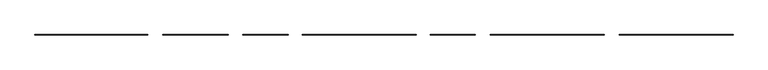
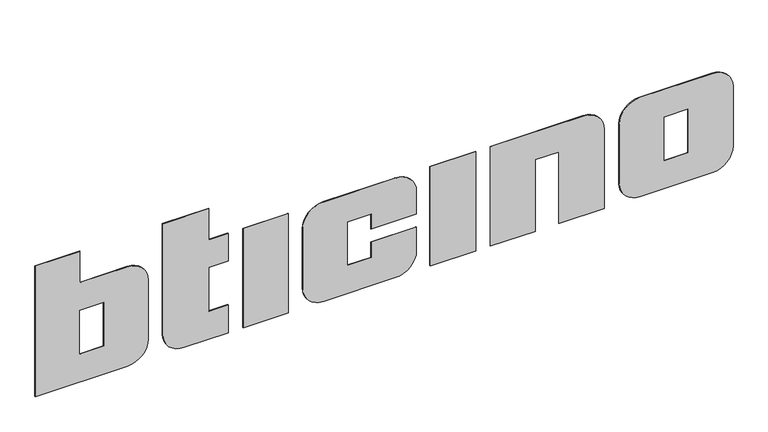
"""IFC4 building model written with IfcOpenShell, lengths in millimetres: proxy geometry."""

from ifc_helpers import new_model, si_unit, point, frame, frame_2d, origin, origin_with_axes, place, context, project, spatial, polyline, circle_curve, trimmed, segment, composite_curve, outline, extrude, source, transform, mapped, element, save


def generic_models_51c8f9fc(model_context):
    return source(origin(), model_context, "Body", "SweptSolid", [
        extrude(outline(polyline([(4189.5321681, 161.9662284), (3758.8896869, 161.9662284), (3758.8896869, 166.9662284), (4189.5321681, 166.9662284), (4189.5321681, 161.9662284)])), origin_with_axes(), (0.0, 0.0, 1.0), 1000.0),
        extrude(outline(composite_curve([segment(polyline([(1000.0, 3427.2762749), (1000.0, 2743.5321049)]), True, "CONTINUOUS"), segment(trimmed(circle_curve(frame_2d((800.0, 2743.5321049)), 200.0), [point((1000.0, 2743.5321049))], [point((800.0, 2543.5321049))], False, "CARTESIAN"), True, "CONTINUOUS"), segment(polyline([(800.0, 2543.5321049), (200.0, 2543.5321049)]), True, "CONTINUOUS"), segment(trimmed(circle_curve(frame_2d((200.0, 2743.5321049)), 200.0), [point((200.0, 2543.5321049))], [point((0.0, 2743.5321049))], False, "CARTESIAN"), True, "CONTINUOUS"), segment(polyline([(0.0, 2743.5321049), (0.0, 3427.2762749)]), True, "CONTINUOUS"), segment(trimmed(circle_curve(frame_2d((200.0, 3427.2762749)), 200.0), [point((0.0, 3427.2762749))], [point((200.0, 3627.2762749))], False, "CARTESIAN"), True, "CONTINUOUS"), segment(polyline([(200.0, 3627.2762749), (438.0168859, 3627.2762749), (438.0168859, 3196.5962333), (281.7366641, 3196.5962333), (281.7366641, 2971.0222631), (720.1857244, 2971.0222631), (720.1857244, 3196.5962333), (567.1600637, 3196.5962333), (567.1600637, 3627.2762749), (800.0, 3627.2762749)]), True, "CONTINUOUS"), segment(trimmed(circle_curve(frame_2d((800.0, 3427.2762749)), 200.0), [point((800.0, 3627.2762749))], [point((1000.0, 3427.2762749))], False, "CARTESIAN"), True, "CONTINUOUS")], self_intersect=False)), frame((0.0, 161.9662284, 0.0), z_axis=(0.0, 1.0, 0.0), x_axis=(0.0, 0.0, 1.0)), (0.0, 0.0, 1.0), 5.0),
        extrude(outline(composite_curve([segment(polyline([(1000.0, 5214.2063635), (1000.0, 4330.4621935), (0.0, 4330.4621935), (0.0, 4757.9523517), (720.1857244, 4757.9523517), (720.1857244, 4983.5263218), (0.0, 4983.5263218), (0.0, 5414.2063635), (800.0, 5414.2063635)]), True, "CONTINUOUS"), segment(trimmed(circle_curve(frame_2d((800.0, 5214.2063635)), 200.0), [point((800.0, 5414.2063635))], [point((1000.0, 5214.2063635))], False, "CARTESIAN"), True, "CONTINUOUS")], self_intersect=False)), frame((0.0, 161.9662284, 0.0), z_axis=(0.0, 1.0, 0.0), x_axis=(0.0, 0.0, 1.0)), (0.0, 0.0, 1.0), 5.0),
        extrude(outline(composite_curve([segment(polyline([(1000.0, 6440.3892967), (1000.0, 5756.6451267)]), True, "CONTINUOUS"), segment(trimmed(circle_curve(frame_2d((800.0, 5756.6451267)), 200.0), [point((1000.0, 5756.6451267))], [point((800.0, 5556.6451267))], False, "CARTESIAN"), True, "CONTINUOUS"), segment(polyline([(800.0, 5556.6451267), (200.0, 5556.6451267)]), True, "CONTINUOUS"), segment(trimmed(circle_curve(frame_2d((200.0, 5756.6451267)), 200.0), [point((200.0, 5556.6451267))], [point((0.0, 5756.6451267))], False, "CARTESIAN"), True, "CONTINUOUS"), segment(polyline([(0.0, 5756.6451267), (0.0, 6440.3892967)]), True, "CONTINUOUS"), segment(trimmed(circle_curve(frame_2d((200.0, 6440.3892967)), 200.0), [point((0.0, 6440.3892967))], [point((200.0, 6640.3892967))], False, "CARTESIAN"), True, "CONTINUOUS"), segment(polyline([(200.0, 6640.3892967), (800.0, 6640.3892967)]), True, "CONTINUOUS"), segment(trimmed(circle_curve(frame_2d((800.0, 6440.3892967)), 200.0), [point((800.0, 6640.3892967))], [point((1000.0, 6440.3892967))], False, "CARTESIAN"), True, "CONTINUOUS")], self_intersect=False), holes=[polyline([(720.1857244, 6209.7092551), (281.7366641, 6209.7092551), (281.7366641, 5984.135285), (720.1857244, 5984.135285), (720.1857244, 6209.7092551)])]), frame((0.0, 161.9662284, 0.0), z_axis=(0.0, 1.0, 0.0), x_axis=(0.0, 0.0, 1.0)), (0.0, 0.0, 1.0), 5.0),
        extrude(outline(polyline([(2409.5321681, 161.9662284), (1978.8896869, 161.9662284), (1978.8896869, 166.9662284), (2409.5321681, 166.9662284), (2409.5321681, 161.9662284)])), origin_with_axes(), (0.0, 0.0, 1.0), 1000.0),
        extrude(outline(composite_curve([segment(trimmed(circle_curve(frame_2d((200.0, 1413.8123622)), 200.0), [point((200.0, 1213.8123622))], [point((0.0, 1413.8123622))], False, "CARTESIAN"), True, "CONTINUOUS"), segment(polyline([(0.0, 1413.8123622), (0.0, 1836.9917701), (280.9352273, 1836.9917701), (280.9352273, 1649.4917701), (722.2529403, 1649.4917701), (722.2529403, 1836.9917701), (1000.0, 1836.9917701), (1000.0, 1649.4917701), (1315.7298276, 1649.4917701), (1315.7298276, 1213.8123622), (200.0, 1213.8123622)]), True, "CONTINUOUS")], self_intersect=False)), frame((0.0, 161.9662284, 0.0), z_axis=(0.0, 1.0, 0.0), x_axis=(0.0, 0.0, 1.0)), (0.0, 0.0, 1.0), 5.0),
        extrude(outline(composite_curve([segment(polyline([(0.0, 0.0), (0.0, 875.3561091)]), True, "CONTINUOUS"), segment(trimmed(circle_curve(frame_2d((200.0, 875.3561091)), 200.0), [point((0.0, 875.3561091))], [point((200.0, 1075.3561091))], False, "CARTESIAN"), True, "CONTINUOUS"), segment(polyline([(200.0, 1075.3561091), (800.0, 1075.3561091)]), True, "CONTINUOUS"), segment(trimmed(circle_curve(frame_2d((800.0, 875.3561091)), 200.0), [point((800.0, 1075.3561091))], [point((1000.0, 875.3561091))], False, "CARTESIAN"), True, "CONTINUOUS"), segment(polyline([(1000.0, 875.3561091), (1000.0, 425.045274), (1315.7298276, 425.045274), (1315.7298276, 0.0), (0.0, 0.0)]), True, "CONTINUOUS")], self_intersect=False), holes=[polyline([(720.1857244, 650.6192441), (281.7366641, 650.6192441), (281.7366641, 425.045274), (720.1857244, 425.045274), (720.1857244, 650.6192441)])]), frame((0.0, 161.9662284, 0.0), z_axis=(0.0, 1.0, 0.0), x_axis=(0.0, 0.0, 1.0)), (0.0, 0.0, 1.0), 5.0),
    ])


if __name__ == "__main__":
    model = new_model("IFC4")
    model_context = context("Model", 3, world=origin())
    ifc_project = project(units=[si_unit("LENGTHUNIT", "METRE", prefix="MILLI")], contexts=[model_context])
    site = spatial("IfcSite", under=ifc_project)
    building = spatial("IfcBuilding", under=site)
    placement = place(None, origin())
    generic_models_shape = generic_models_51c8f9fc(model_context)
    element("IfcBuildingElementProxy", 1, Name="Generic Models", at=placement, inside=building, context=model_context, shape_type="MappedRepresentation", body=[
        mapped(generic_models_shape, transform((0.0, 0.0, 0.0), x_axis=(1.0, 0.0, 0.0), y_axis=(0.0, 1.0, 0.0), z_axis=(0.0, 0.0, 1.0))),
    ])
    save(model, "model.ifc")
